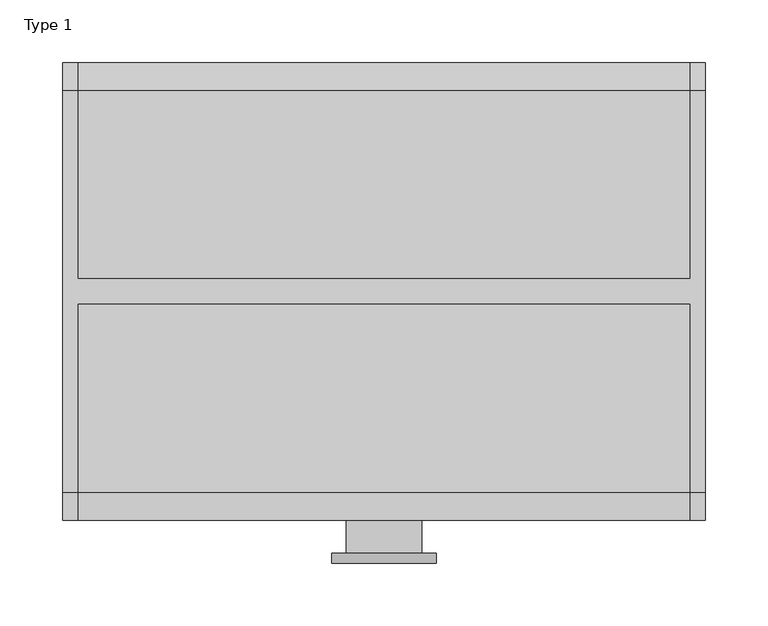
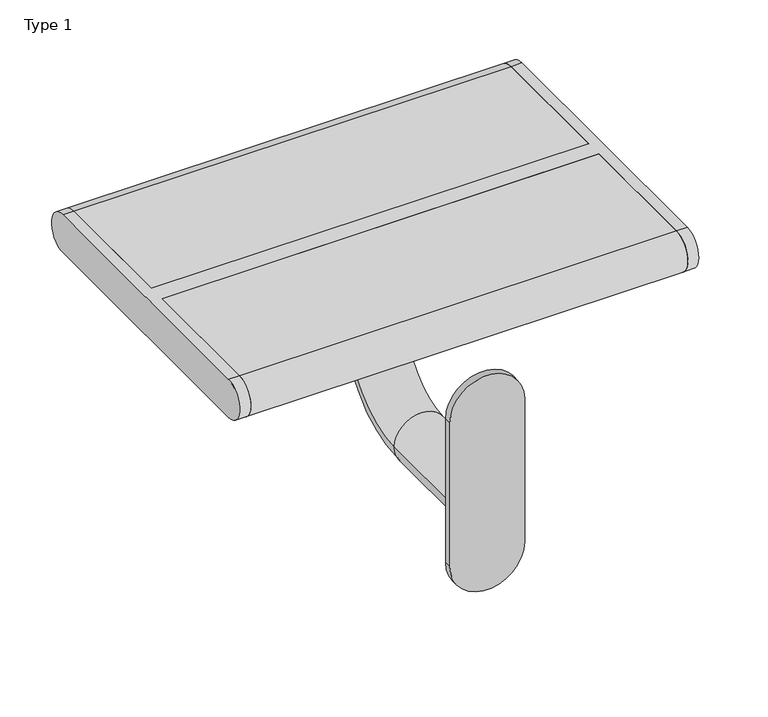
"""IFC4 building model written with IfcOpenShell, lengths in millimetres: furniture geometry, Type 1."""

from ifc_helpers import new_model, si_unit, point, frame, frame_2d, origin, place, context, project, spatial, polyline, circle_curve, ellipse_curve, trimmed, segment, composite_curve, outline, extrude, source, transform, mapped, element, save
from ifc_brep_helpers import plane_surface, cylinder_surface, revolved_surface, advanced_brep


def type_1_4c211b11(model_context):
    return source(origin(), model_context, "Body", "SolidModel", [
        extrude(outline(composite_curve([segment(trimmed(circle_curve(frame_2d((357.0801223, 125.0)), 41.9108501), [point((357.0801223, 166.9108501))], [point((357.0801223, 83.0891499))], False, "CARTESIAN"), True, "CONTINUOUS"), segment(polyline([(357.0801223, 83.0891499), (187.0801223, 83.0891499)]), True, "CONTINUOUS"), segment(trimmed(circle_curve(frame_2d((187.0801223, 125.0)), 41.9108501), [point((187.0801223, 83.0891499))], [point((187.0801223, 166.9108501))], False, "CARTESIAN"), True, "CONTINUOUS"), segment(polyline([(187.0801223, 166.9108501), (357.0801223, 166.9108501)]), True, "CONTINUOUS")], self_intersect=False)), frame((0.0, 100.0, 0.0), z_axis=(0.0, 1.0, 0.0), x_axis=(0.0, 0.0, 1.0)), (0.0, 0.0, 1.0), 8.0),
        advanced_brep(
        [(50.0, 443.0, 405.0), (50.0, 443.0, 389.0), (50.0, 193.0, 389.0), (50.0, 193.0, 405.0), (200.0, 443.0, 405.0), (200.0, 193.0, 405.0), (200.0, 193.0, 389.0), (200.0, 443.0, 389.0), (155.0, 318.0, 389.0), (95.0, 318.0, 389.0), (95.0, 108.0, 246.9999952), (155.0, 108.0, 246.9999952), (95.0, 227.9999981, 246.9999952), (155.0, 227.9999981, 246.9999952), (95.0, 318.0, 336.9999971), (155.0, 318.0, 336.9999971)],
        [
            (0, 1),
            (1, 2),
            (2, 3),
            (3, 0),
            (4, 5),
            (5, 6),
            (6, 7),
            (7, 4),
            (0, 4),
            (7, 1),
            (6, 2),
            (8, 9, circle_curve(frame((125.0, 318.0, 389.0), z_axis=(0.0, 0.0, 1.0), x_axis=(1.0, 0.0, 0.0)), 30.0)),
            (9, 8, circle_curve(frame((125.0, 318.0, 389.0), z_axis=(0.0, 0.0, 1.0), x_axis=(1.0, 0.0, 0.0)), 30.0)),
            (5, 3),
            (10, 11, circle_curve(frame((125.0, 108.0, 246.9999952), z_axis=(0.0, -1.0, 0.0), x_axis=(1.0, 0.0, 0.0)), 30.0)),
            (11, 10, circle_curve(frame((125.0, 108.0, 246.9999952), z_axis=(0.0, -1.0, 0.0), x_axis=(1.0, 0.0, 0.0)), 30.0)),
            (10, 12),
            (12, 13, circle_curve(frame((125.0, 227.9999981, 246.9999952), z_axis=(0.0, -1.0, 0.0), x_axis=(1.0, 0.0, 0.0)), 30.0)),
            (13, 11),
            (13, 12, circle_curve(frame((125.0, 227.9999981, 246.9999952), z_axis=(0.0, -1.0, 0.0), x_axis=(1.0, 0.0, 0.0)), 30.0)),
            (12, 14, circle_curve(frame((95.0, 227.9999981, 336.9999971), z_axis=(1.0, 0.0, 0.0), x_axis=(0.0, 0.0, -1.0)), 90.0000019)),
            (14, 15, circle_curve(frame((125.0, 318.0, 336.9999971), z_axis=(0.0, 0.0, -1.0), x_axis=(1.0, 0.0, 0.0)), 30.0)),
            (15, 13, circle_curve(frame((155.0, 227.9999981, 336.9999971), z_axis=(-1.0, 0.0, 0.0), x_axis=(0.0, 0.0, -1.0)), 90.0000019)),
            (15, 14, circle_curve(frame((125.0, 318.0, 336.9999971), z_axis=(0.0, 0.0, -1.0), x_axis=(1.0, 0.0, 0.0)), 30.0)),
            (14, 9),
            (8, 15),
        ],
        [
            plane_surface(frame((50.0, 443.0, 405.0), z_axis=(-1.0, 0.0, 0.0), x_axis=(0.0, 0.0, -1.0))),
            plane_surface(frame((200.0, 443.0, 405.0), z_axis=(1.0, 0.0, 0.0), x_axis=(0.0, 0.0, 1.0))),
            plane_surface(frame((50.0, 443.0, 405.0), z_axis=(0.0, 1.0, 0.0), x_axis=(1.0, 0.0, 0.0))),
            plane_surface(frame((50.0, 443.0, 389.0), z_axis=(0.0, 0.0, -1.0), x_axis=(1.0, 0.0, 0.0))),
            plane_surface(frame((50.0, 193.0, 389.0), z_axis=(0.0, -1.0, 0.0), x_axis=(1.0, 0.0, 0.0))),
            plane_surface(frame((50.0, 193.0, 405.0), z_axis=(0.0, 0.0, 1.0), x_axis=(1.0, 0.0, 0.0))),
            plane_surface(frame((125.0, 108.0, 246.9999952), z_axis=(0.0, -1.0, 0.0), x_axis=(-1.0, 0.0, 0.0))),
            cylinder_surface(frame((125.0, 108.0, 246.9999952), z_axis=(0.0, -1.0, 0.0), x_axis=(1.0, 0.0, 0.0)), 30.0),
            revolved_surface(trimmed(ellipse_curve(frame((125.0, 227.9999981, 246.9999952), z_axis=(0.0, -1.0, 0.0), x_axis=(1.0, 0.0, 0.0)), 30.0, 30.0), [point((95.0, 227.9999981, 246.9999952))], [point((155.0, 227.9999981, 246.9999952))], True, "CARTESIAN"), (125.0, 227.9999981, 336.9999971), (1.0, 0.0, 0.0)),
            revolved_surface(trimmed(ellipse_curve(frame((125.0, 227.9999981, 246.9999952), z_axis=(0.0, -1.0, 0.0), x_axis=(1.0, 0.0, 0.0)), 30.0, 30.0), [point((155.0, 227.9999981, 246.9999952))], [point((95.0, 227.9999981, 246.9999952))], True, "CARTESIAN"), (125.0, 227.9999981, 336.9999971), (1.0, 0.0, 0.0)),
            cylinder_surface(frame((125.0, 318.0, 336.9999971), z_axis=(0.0, 0.0, -1.0), x_axis=(1.0, 0.0, 0.0)), 30.0),
        ],
        [
            (0, [[1, 2, 3, 4]]),
            (1, [[5, 6, 7, 8]]),
            (2, [[-1, 9, -8, 10]]),
            (3, [[-2, -10, -7, 11], [12, 13]]),
            (4, [[-3, -11, -6, 14]]),
            (5, [[-4, -14, -5, -9]]),
            (6, [[15, 16]]),
            (7, [[-15, 17, 18, 19]]),
            (7, [[-16, -19, 20, -17]]),
            (8, [[-18, 21, 22, 23]]),
            (9, [[-20, -23, 24, -21]]),
            (10, [[-22, 25, -12, 26]]),
            (10, [[-24, -26, -13, -25]]),
        ],
    ),
        advanced_brep(
        [(382.0, 157.0, 405.0), (382.0, 478.0, 405.0), (382.0, 478.0, 450.0), (382.0, 157.0, 450.0), (370.0, 157.0, 405.0), (370.0, 157.0, 450.0), (370.0, 307.5, 450.0), (370.0, 307.5, 405.0), (370.0, 478.0, 450.0), (370.0, 478.0, 405.0), (370.0, 327.5, 405.0), (370.0, 327.5, 450.0), (-120.0, 327.5, 450.0), (-120.0, 478.0, 450.0), (-132.0, 478.0, 450.0), (-132.0, 157.0, 450.0), (-120.0, 157.0, 450.0), (-120.0, 307.5, 450.0), (-120.0, 307.5, 405.0), (-120.0, 157.0, 405.0), (-132.0, 157.0, 405.0), (-132.0, 478.0, 405.0), (-120.0, 478.0, 405.0), (-120.0, 327.5, 405.0)],
        [
            (0, 1),
            (1, 2, circle_curve(frame((382.0, 478.0, 427.5), z_axis=(1.0, 0.0, 0.0), x_axis=(0.0, 1.0, 0.0)), 22.5)),
            (2, 3),
            (3, 0, circle_curve(frame((382.0, 157.0, 427.5), z_axis=(1.0, 0.0, 0.0), x_axis=(0.0, -1.0, 0.0)), 22.5)),
            (4, 5, circle_curve(frame((370.0, 157.0, 427.5), z_axis=(-1.0, 0.0, 0.0), x_axis=(0.0, -1.0, 0.0)), 22.5)),
            (5, 6),
            (6, 7),
            (7, 4),
            (8, 9, circle_curve(frame((370.0, 478.0, 427.5), z_axis=(-1.0, 0.0, 0.0), x_axis=(0.0, 1.0, 0.0)), 22.5)),
            (9, 10),
            (10, 11),
            (11, 8),
            (2, 8),
            (11, 12),
            (12, 13),
            (13, 14),
            (14, 15),
            (15, 16),
            (16, 17),
            (17, 6),
            (5, 3),
            (0, 4),
            (7, 18),
            (18, 19),
            (19, 20),
            (20, 21),
            (21, 22),
            (22, 23),
            (23, 10),
            (9, 1),
            (17, 18),
            (23, 12),
            (22, 13, circle_curve(frame((-120.0, 478.0, 427.5), z_axis=(1.0, 0.0, 0.0), x_axis=(0.0, -1.0, 0.0)), 22.5)),
            (16, 19, circle_curve(frame((-120.0, 157.0, 427.5), z_axis=(1.0, 0.0, 0.0), x_axis=(0.0, -1.0, 0.0)), 22.5)),
            (20, 15, circle_curve(frame((-132.0, 157.0, 427.5), z_axis=(-1.0, 0.0, 0.0), x_axis=(0.0, -1.0, 0.0)), 22.5)),
            (14, 21, circle_curve(frame((-132.0, 478.0, 427.5), z_axis=(-1.0, 0.0, 0.0), x_axis=(0.0, -1.0, 0.0)), 22.5)),
        ],
        [
            plane_surface(frame((382.0, 478.0, 405.0), z_axis=(1.0, 0.0, 0.0), x_axis=(0.0, 1.0, 0.0))),
            plane_surface(frame((370.0, 478.0, 405.0), z_axis=(-1.0, 0.0, 0.0), x_axis=(0.0, -1.0, 0.0))),
            plane_surface(frame((382.0, 478.0, 450.0), z_axis=(0.0, 0.0, 1.0), x_axis=(-1.0, 0.0, 0.0))),
            plane_surface(frame((382.0, 157.0, 405.0), z_axis=(0.0, 0.0, -1.0), x_axis=(-1.0, 0.0, 0.0))),
            cylinder_surface(frame((370.0, 157.0, 427.5), z_axis=(1.0, 0.0, 0.0), x_axis=(0.0, -1.0, 0.0)), 22.5),
            cylinder_surface(frame((370.0, 478.0, 427.5), z_axis=(1.0, 0.0, 0.0), x_axis=(0.0, 1.0, 0.0)), 22.5),
            plane_surface(frame((370.0, 307.5, 450.0), z_axis=(0.0, -1.0, 0.0), x_axis=(-1.0, 0.0, 0.0))),
            plane_surface(frame((370.0, 327.5, 405.0), z_axis=(0.0, 1.0, 0.0), x_axis=(-1.0, 0.0, 0.0))),
            plane_surface(frame((-120.0, 478.0, 405.0), z_axis=(1.0, 0.0, 0.0), x_axis=(0.0, 1.0, 0.0))),
            plane_surface(frame((-132.0, 478.0, 405.0), z_axis=(-1.0, 0.0, 0.0), x_axis=(0.0, -1.0, 0.0))),
            cylinder_surface(frame((-132.0, 157.0, 427.5), z_axis=(1.0, 0.0, 0.0), x_axis=(0.0, -1.0, 0.0)), 22.5),
            cylinder_surface(frame((-132.0, 478.0, 427.5), z_axis=(1.0, 0.0, 0.0), x_axis=(0.0, -1.0, 0.0)), 22.5),
        ],
        [
            (0, [[1, 2, 3, 4]]),
            (1, [[5, 6, 7, 8]]),
            (1, [[9, 10, 11, 12]]),
            (2, [[-3, 13, -12, 14, 15, 16, 17, 18, 19, 20, -6, 21]]),
            (3, [[-1, 22, -8, 23, 24, 25, 26, 27, 28, 29, -10, 30]]),
            (4, [[-4, -21, -5, -22]]),
            (5, [[-2, -30, -9, -13]]),
            (6, [[-20, 31, -23, -7]]),
            (7, [[-14, -11, -29, 32]]),
            (8, [[33, -15, -32, -28]]),
            (8, [[34, -24, -31, -19]]),
            (9, [[35, -17, 36, -26]]),
            (10, [[-34, -18, -35, -25]]),
            (11, [[-33, -27, -36, -16]]),
        ],
    ),
        extrude(outline(composite_curve([segment(polyline([(327.5, 405.0), (327.5, 450.0), (478.0, 450.0)]), True, "CONTINUOUS"), segment(trimmed(circle_curve(frame_2d((478.0, 427.5)), 22.5), [point((478.0, 450.0))], [point((478.0, 405.0))], False, "CARTESIAN"), True, "CONTINUOUS"), segment(polyline([(478.0, 405.0), (327.5, 405.0)]), True, "CONTINUOUS")], self_intersect=False)), frame((-120.0, 0.0, 0.0), z_axis=(1.0, 0.0, 0.0), x_axis=(0.0, 1.0, 0.0)), (0.0, 0.0, 1.0), 490.0),
        extrude(outline(composite_curve([segment(polyline([(307.5, 405.0), (157.0, 405.0)]), True, "CONTINUOUS"), segment(trimmed(circle_curve(frame_2d((157.0, 427.5)), 22.5), [point((157.0, 405.0))], [point((157.0, 450.0))], False, "CARTESIAN"), True, "CONTINUOUS"), segment(polyline([(157.0, 450.0), (307.5, 450.0), (307.5, 405.0)]), True, "CONTINUOUS")], self_intersect=False)), frame((-120.0, 0.0, 0.0), z_axis=(1.0, 0.0, 0.0), x_axis=(0.0, 1.0, 0.0)), (0.0, 0.0, 1.0), 490.0),
    ])


if __name__ == "__main__":
    model = new_model("IFC4")
    model_context = context("Model", 3, world=origin())
    ifc_project = project(units=[si_unit("LENGTHUNIT", "METRE", prefix="MILLI")], contexts=[model_context])
    site = spatial("IfcSite", under=ifc_project)
    building = spatial("IfcBuilding", under=site)
    placement = place(None, origin())
    type_1_shape = type_1_4c211b11(model_context)
    element("IfcFurniture", 1, ObjectType="Type 1", at=placement, inside=building, context=model_context, shape_type="MappedRepresentation", body=[
        mapped(type_1_shape, transform((0.0, 0.0, 0.0), x_axis=(1.0, 0.0, 0.0), y_axis=(0.0, 1.0, 0.0), z_axis=(0.0, 0.0, 1.0))),
    ])
    save(model, "model.ifc")
